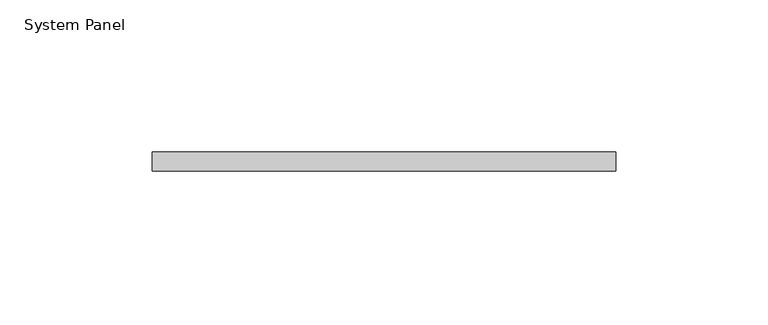
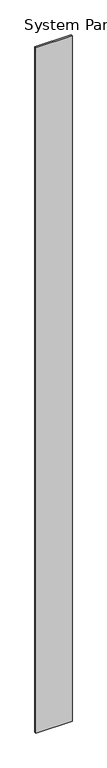
"""IFC4 building model written with IfcOpenShell, lengths in millimetres: plate geometry, System Panel."""

from ifc_helpers import new_model, si_unit, origin, origin_with_axes, place, context, project, spatial, polyline, outline, extrude, source, transform, mapped, element, save


def system_panel_f27ad75d(model_context):
    return source(origin(), model_context, "Body", "SweptSolid", [
        extrude(outline(polyline([(76.2, -6.35), (-76.2, -6.35), (-76.2, 0.0), (76.2, 0.0), (76.2, -6.35)])), origin_with_axes(), (0.0, 0.0, 1.0), 3048.0),
    ])


if __name__ == "__main__":
    model = new_model("IFC4")
    model_context = context("Model", 3, world=origin())
    ifc_project = project(units=[si_unit("LENGTHUNIT", "METRE", prefix="MILLI")], contexts=[model_context])
    site = spatial("IfcSite", under=ifc_project)
    building = spatial("IfcBuilding", under=site)
    placement = place(None, origin())
    system_panel_shape = system_panel_f27ad75d(model_context)
    element("IfcPlate", 1, ObjectType="System Panel", at=placement, inside=building, context=model_context, shape_type="MappedRepresentation", body=[
        mapped(system_panel_shape, transform((0.0, 0.0, 0.0), x_axis=(1.0, 0.0, 0.0), y_axis=(0.0, 1.0, 0.0), z_axis=(0.0, 0.0, 1.0))),
    ])
    save(model, "model.ifc")
